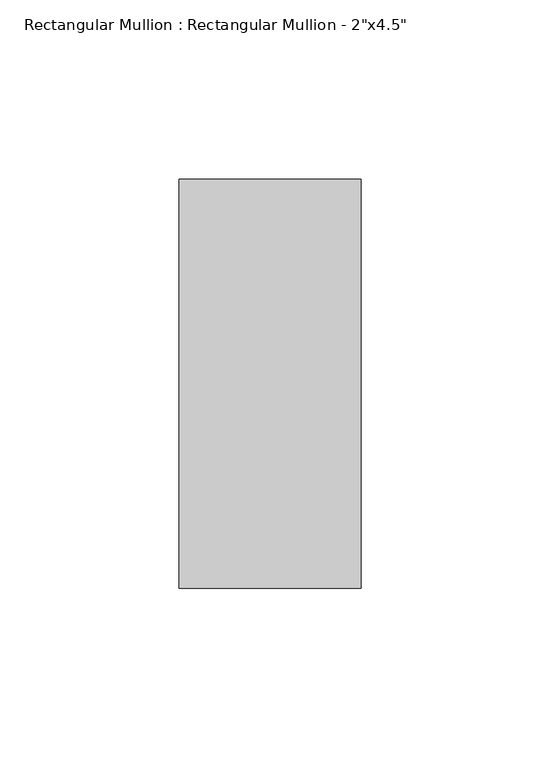
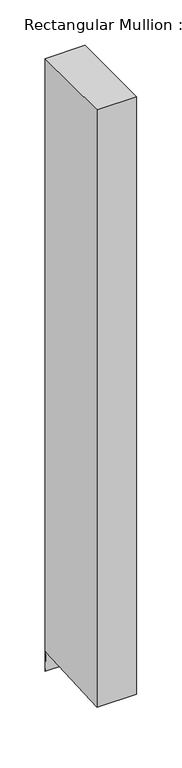
"""IFC4 building model written with IfcOpenShell, lengths in millimetres: member geometry."""

from ifc_helpers import new_model, si_unit, frame, origin, place, context, project, spatial, polyline, outline, extrude, source, transform, mapped, element, save


def member_2fbd71c5(model_context):
    return source(origin(), model_context, "Body", "SweptSolid", [
        extrude(outline(polyline([(-57.15, 0.0), (57.15, 0.0), (57.15, -825.6084403), (55.6346001, -798.6462141), (-57.15, -804.9852222), (-57.15, 0.0)])), frame((-50.8, 0.0, 0.0), z_axis=(1.0, 0.0, 0.0), x_axis=(0.0, 1.0, 0.0)), (0.0, 0.0, 1.0), 50.8),
    ])


if __name__ == "__main__":
    model = new_model("IFC4")
    model_context = context("Model", 3, world=origin())
    ifc_project = project(units=[si_unit("LENGTHUNIT", "METRE", prefix="MILLI")], contexts=[model_context])
    site = spatial("IfcSite", under=ifc_project)
    building = spatial("IfcBuilding", under=site)
    placement = place(None, origin())
    member_shape = member_2fbd71c5(model_context)
    element("IfcMember", 1, ObjectType="Rectangular Mullion : Rectangular Mullion - 2\"x4.5\"", at=placement, inside=building, context=model_context, shape_type="MappedRepresentation", body=[
        mapped(member_shape, transform((0.0, 0.0, 0.0), x_axis=(1.0, 0.0, 0.0), y_axis=(0.0, 1.0, 0.0), z_axis=(0.0, 0.0, 1.0))),
    ])
    save(model, "model.ifc")
